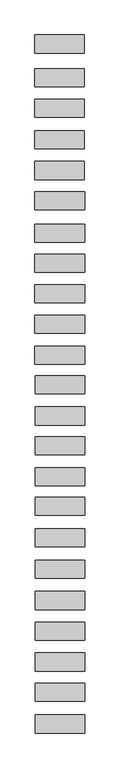
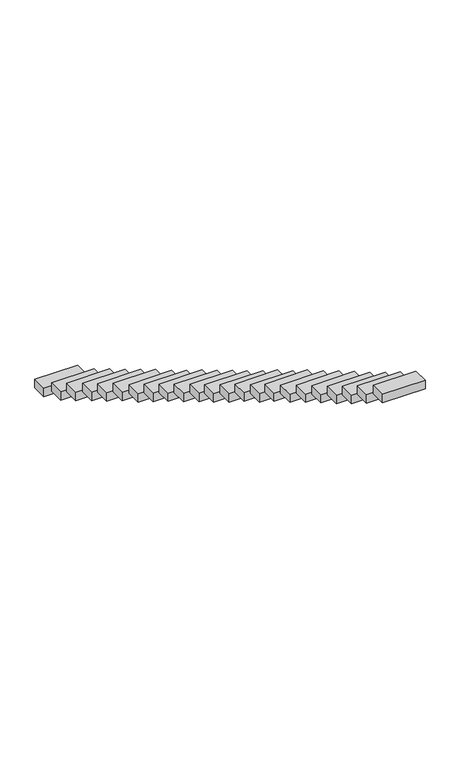
"""IFC4 building model written with IfcOpenShell, lengths in millimetres: proxy geometry."""

from ifc_helpers import new_model, si_unit, frame, origin, place, context, project, spatial, polyline, outline, extrude, source, transform, mapped, element, save


def generic_models_def8d745(model_context):
    return source(origin(), model_context, "Body", "SweptSolid", [
        extrude(outline(polyline([(-598.1698769, -4684.8839427), (-598.1698769, -4244.8839427), (601.8301231, -4244.8839427), (601.8301231, -4684.8839427), (-598.1698769, -4684.8839427)])), frame((0.0, 0.0, 2807.3123996), z_axis=(0.0, 0.0, 1.0), x_axis=(1.0, 0.0, 0.0)), (0.0, 0.0, 1.0), 250.0),
        extrude(outline(polyline([(-598.9529273, -3915.8926698), (-598.9529273, -3475.8926698), (601.0470727, -3475.8926698), (601.0470727, -3915.8926698), (-598.9529273, -3915.8926698)])), frame((0.0, 0.0, 2334.8903548), z_axis=(0.0, 0.0, 1.0), x_axis=(1.0, 0.0, 0.0)), (0.0, 0.0, 1.0), 250.0),
        extrude(outline(polyline([(-599.1556761, -3183.7671393), (-599.1556761, -2743.7671393), (600.8443239, -2743.7671393), (600.8443239, -3183.7671393), (-599.1556761, -3183.7671393)])), frame((0.0, 0.0, 1876.9928932), z_axis=(0.0, 0.0, 1.0), x_axis=(1.0, 0.0, 0.0)), (0.0, 0.0, 1.0), 250.0),
        extrude(outline(polyline([(-599.3619046, -2439.0766957), (-599.3619046, -1999.0766957), (600.6380954, -1999.0766957), (600.6380954, -2439.0766957), (-599.3619046, -2439.0766957)])), frame((0.0, 0.0, 1424.582925), z_axis=(0.0, 0.0, 1.0), x_axis=(1.0, 0.0, 0.0)), (0.0, 0.0, 1.0), 250.0),
        extrude(outline(polyline([(-599.5674902, -1696.7076514), (-599.5674902, -1256.7076514), (600.4325098, -1256.7076514), (600.4325098, -1696.7076514), (-599.5674902, -1696.7076514)])), frame((0.0, 0.0, 993.1460484), z_axis=(0.0, 0.0, 1.0), x_axis=(1.0, 0.0, 0.0)), (0.0, 0.0, 1.0), 250.0),
        extrude(outline(polyline([(-599.7776028, -937.9912651), (-599.7776028, -497.9912651), (600.2223972, -497.9912651), (600.2223972, -937.9912651), (-599.7776028, -937.9912651)])), frame((0.0, 0.0, 549.0878907), z_axis=(0.0, 0.0, 1.0), x_axis=(1.0, 0.0, 0.0)), (0.0, 0.0, 1.0), 250.0),
        extrude(outline(polyline([(-599.9878661, -178.7309884), (-599.9878661, 261.2690116), (600.0121339, 261.2690116), (600.0121339, -178.7309884), (-599.9878661, -178.7309884)])), frame((0.0, 0.0, 89.0556939), z_axis=(0.0, 0.0, 1.0), x_axis=(1.0, 0.0, 0.0)), (0.0, 0.0, 1.0), 250.0),
        extrude(outline(polyline([(-600.2003593, 588.5811929), (-600.2003593, 1028.5811929), (599.7996407, 1028.5811929), (599.7996407, 588.5811929), (-600.2003593, 588.5811929)])), frame((0.0, 0.0, -345.7329932), z_axis=(0.0, 0.0, 1.0), x_axis=(1.0, 0.0, 0.0)), (0.0, 0.0, 1.0), 250.0),
        extrude(outline(polyline([(-600.3974346, 1300.2197236), (-600.3974346, 1740.2197236), (599.6025654, 1740.2197236), (599.6025654, 1300.2197236), (-600.3974346, 1300.2197236)])), frame((0.0, 0.0, -801.2522097), z_axis=(0.0, 0.0, 1.0), x_axis=(1.0, 0.0, 0.0)), (0.0, 0.0, 1.0), 250.0),
        extrude(outline(polyline([(-600.6058412, 2052.7754197), (-600.6058412, 2492.7754197), (599.3941588, 2492.7754197), (599.3941588, 2052.7754197), (-600.6058412, 2052.7754197)])), frame((0.0, 0.0, -1233.1756321), z_axis=(0.0, 0.0, 1.0), x_axis=(1.0, 0.0, 0.0)), (0.0, 0.0, 1.0), 250.0),
        extrude(outline(polyline([(-600.8050946, 2772.2792028), (-600.8050946, 3212.2792028), (599.1949054, 3212.2792028), (599.1949054, 2772.2792028), (-600.8050946, 2772.2792028)])), frame((0.0, 0.0, -1698.207829), z_axis=(0.0, 0.0, 1.0), x_axis=(1.0, 0.0, 0.0)), (0.0, 0.0, 1.0), 250.0),
        extrude(outline(polyline([(-601.0142273, 3527.4566559), (-601.0142273, 3967.4566559), (598.9857727, 3967.4566559), (598.9857727, 3527.4566559), (-601.0142273, 3527.4566559)])), frame((0.0, 0.0, -2156.5354573), z_axis=(0.0, 0.0, 1.0), x_axis=(1.0, 0.0, 0.0)), (0.0, 0.0, 1.0), 250.0),
        extrude(outline(polyline([(-601.2123434, 4242.8535939), (-601.2123434, 4682.8535939), (598.7876566, 4682.8535939), (598.7876566, 4242.8535939), (-601.2123434, 4242.8535939)])), frame((0.0, 0.0, -2574.0396257), z_axis=(0.0, 0.0, 1.0), x_axis=(1.0, 0.0, 0.0)), (0.0, 0.0, 1.0), 250.0),
        extrude(outline(polyline([(-601.4210697, 4996.5639369), (-601.4210697, 5436.5639369), (598.5789303, 5436.5639369), (598.5789303, 4996.5639369), (-601.4210697, 4996.5639369)])), frame((0.0, 0.0, -3027.47134), z_axis=(0.0, 0.0, 1.0), x_axis=(1.0, 0.0, 0.0)), (0.0, 0.0, 1.0), 250.0),
        extrude(outline(polyline([(-601.6259314, 5736.3187824), (-601.6259314, 6176.3187824), (598.3740686, 6176.3187824), (598.3740686, 5736.3187824), (-601.6259314, 5736.3187824)])), frame((0.0, 0.0, -3468.8860041), z_axis=(0.0, 0.0, 1.0), x_axis=(1.0, 0.0, 0.0)), (0.0, 0.0, 1.0), 250.0),
        extrude(outline(polyline([(-601.8296876, 6472.0821615), (-601.8296876, 6912.0821615), (598.1703124, 6912.0821615), (598.1703124, 6472.0821615), (-601.8296876, 6472.0821615)])), frame((0.0, 0.0, -3923.1074883), z_axis=(0.0, 0.0, 1.0), x_axis=(1.0, 0.0, 0.0)), (0.0, 0.0, 1.0), 250.0),
        extrude(outline(polyline([(-602.0307839, 7198.2404302), (-602.0307839, 7638.2404302), (597.9692161, 7638.2404302), (597.9692161, 7198.2404302), (-602.0307839, 7198.2404302)])), frame((0.0, 0.0, -4371.5392027), z_axis=(0.0, 0.0, 1.0), x_axis=(1.0, 0.0, 0.0)), (0.0, 0.0, 1.0), 250.0),
        extrude(outline(polyline([(-602.2477794, 7981.810625), (-602.2477794, 8421.810625), (597.7522206, 8421.810625), (597.7522206, 7981.810625), (-602.2477794, 7981.810625)])), frame((0.0, 0.0, -4804.970917), z_axis=(0.0, 0.0, 1.0), x_axis=(1.0, 0.0, 0.0)), (0.0, 0.0, 1.0), 250.0),
        extrude(outline(polyline([(-602.452143, 8719.7671957), (-602.452143, 9159.7671957), (597.547857, 9159.7671957), (597.547857, 8719.7671957), (-602.452143, 8719.7671957)])), frame((0.0, 0.0, -5263.1838761), z_axis=(0.0, 0.0, 1.0), x_axis=(1.0, 0.0, 0.0)), (0.0, 0.0, 1.0), 250.0),
        extrude(outline(polyline([(-602.6588873, 9466.3203343), (-602.6588873, 9906.3203343), (597.3411127, 9906.3203343), (597.3411127, 9466.3203343), (-602.6588873, 9466.3203343)])), frame((0.0, 0.0, -5712.4053603), z_axis=(0.0, 0.0, 1.0), x_axis=(1.0, 0.0, 0.0)), (0.0, 0.0, 1.0), 250.0),
        extrude(outline(polyline([(-602.8700649, 10228.8820149), (-602.8700649, 10668.8820149), (597.1299351, 10668.8820149), (597.1299351, 10228.8820149), (-602.8700649, 10228.8820149)])), frame((0.0, 0.0, -6163.6438947), z_axis=(0.0, 0.0, 1.0), x_axis=(1.0, 0.0, 0.0)), (0.0, 0.0, 1.0), 250.0),
        extrude(outline(polyline([(-603.0745984, 10967.4522299), (-603.0745984, 11407.4522299), (596.9254016, 11407.4522299), (596.9254016, 10967.4522299), (-603.0745984, 10967.4522299)])), frame((0.0, 0.0, -6600.2773141), z_axis=(0.0, 0.0, 1.0), x_axis=(1.0, 0.0, 0.0)), (0.0, 0.0, 1.0), 250.0),
        extrude(outline(polyline([(-603.2997263, 11780.3885291), (-603.2997263, 12220.3885291), (596.7002737, 12220.3885291), (596.7002737, 11780.3885291), (-603.2997263, 11780.3885291)])), frame((0.0, 0.0, -6989.9748023), z_axis=(0.0, 0.0, 1.0), x_axis=(1.0, 0.0, 0.0)), (0.0, 0.0, 1.0), 250.0),
    ])


if __name__ == "__main__":
    model = new_model("IFC4")
    model_context = context("Model", 3, world=origin())
    ifc_project = project(units=[si_unit("LENGTHUNIT", "METRE", prefix="MILLI")], contexts=[model_context])
    site = spatial("IfcSite", under=ifc_project)
    building = spatial("IfcBuilding", under=site)
    placement = place(None, origin())
    generic_models_shape = generic_models_def8d745(model_context)
    element("IfcBuildingElementProxy", 1, Name="Generic Models", at=placement, inside=building, context=model_context, shape_type="MappedRepresentation", body=[
        mapped(generic_models_shape, transform((0.0, 0.0, 0.0), x_axis=(1.0, 0.0, 0.0), y_axis=(0.0, 1.0, 0.0), z_axis=(0.0, 0.0, 1.0))),
    ])
    save(model, "model.ifc")
